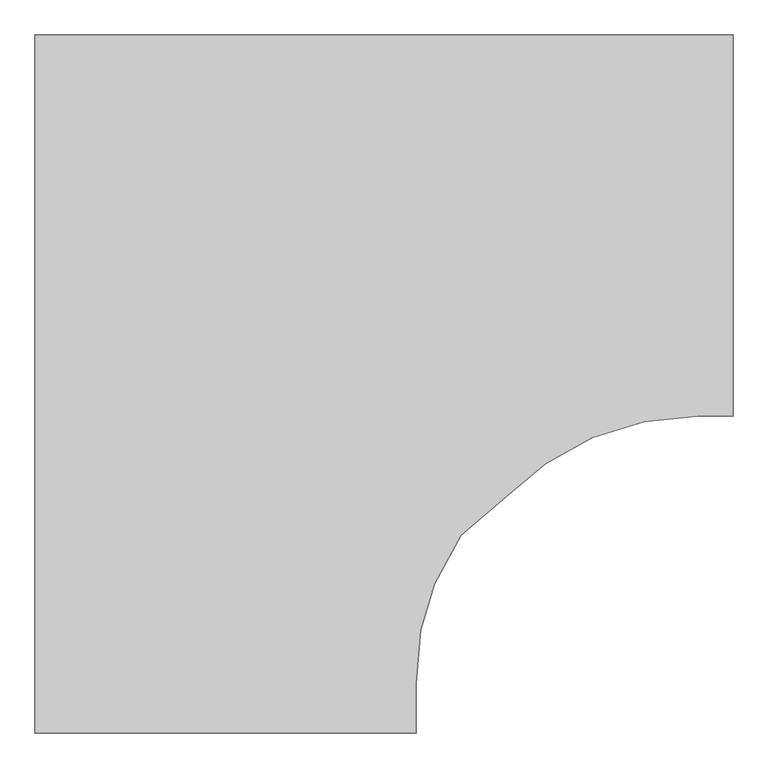
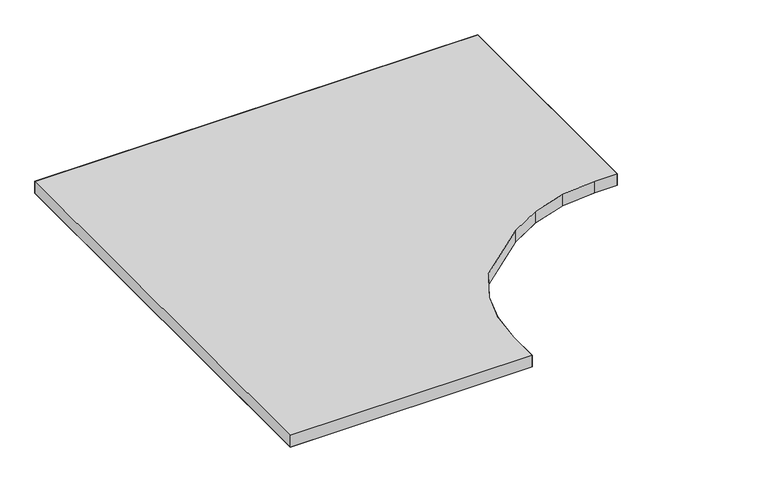
"""IFC4 building model written with IfcOpenShell, lengths in millimetres: furniture geometry."""

import ifcopenshell
import ifcopenshell.guid

model = None  # the IFC model being written
_history = None  # IfcOwnerHistory: only IFC2X3 demands one
_inside = {}  # id of a spatial element -> (the spatial element, [elements in it])
_under = {}  # id of a project, library or spatial element -> (it, [spatial elements below it])
_declared = {}  # id of a project -> (the project, [libraries it declares])
_typed = {}  # id of a type object -> (the type object, [elements of that type])
_made_of = {}  # id of a material, layer set ... -> (it, [elements and type objects made of it])


def new_model(schema):
    """Start an empty IFC model of exactly this schema.

    Asked for "IFC4X3", IfcOpenShell would pick the latest addendum, in which some entities
    have other attributes; the version numbers below select the first issue.
    IFC2X3 requires an IfcOwnerHistory on every rooted entity: one is made here for all.
    """
    global model, _history
    if schema == "IFC4X3":
        model = ifcopenshell.file(schema_version=(4, 3, 0, 0))
    else:
        model = ifcopenshell.file(schema=schema)
    _inside.clear()
    _under.clear()
    _declared.clear()
    _typed.clear()
    _made_of.clear()
    _history = None
    if model.schema == "IFC2X3":
        org = make("IfcOrganization", Name="unknown")
        user = make(
            "IfcPersonAndOrganization",
            ThePerson=make("IfcPerson", FamilyName="unknown"),
            TheOrganization=org,
        )
        app = make(
            "IfcApplication",
            ApplicationDeveloper=org,
            Version="unknown",
            ApplicationFullName="unknown",
            ApplicationIdentifier="unknown",
        )
        _history = make(
            "IfcOwnerHistory",
            OwningUser=user,
            OwningApplication=app,
            ChangeAction="ADDED",
            CreationDate=0,
        )
    return model


def make(cls, **values):
    """One entity of the class cls with the attributes given. An attribute that is None is left unset."""
    return model.create_entity(
        cls, **{name: value for name, value in values.items() if value is not None}
    )


def rooted(cls, **values):
    """An entity with a GlobalId (a new one), such as an element, a storey or a relation."""
    return make(cls, GlobalId=ifcopenshell.guid.new(), OwnerHistory=_history, **values)


def si_unit(unit_type, name, prefix=None):
    """IfcSIUnit, for example si_unit("LENGTHUNIT", "METRE", prefix="MILLI")."""
    return make("IfcSIUnit", UnitType=unit_type, Prefix=prefix, Name=name)


def assignment(units):
    """IfcUnitAssignment: the units of a project."""
    return None if units is None else make("IfcUnitAssignment", Units=units)


def point(xyz):
    """IfcCartesianPoint."""
    return None if xyz is None else make("IfcCartesianPoint", Coordinates=xyz)


def direction(xyz):
    """IfcDirection."""
    return None if xyz is None else make("IfcDirection", DirectionRatios=xyz)


def frame(location, z_axis=None, x_axis=None):
    """IfcAxis2Placement3D, a coordinate frame: its origin and axes. An axis left out is left unset."""
    return make(
        "IfcAxis2Placement3D",
        Location=point(location),
        Axis=direction(z_axis),
        RefDirection=direction(x_axis),
    )


def origin():
    """The frame at (0, 0, 0) with its axes left unset."""
    return frame((0.0, 0.0, 0.0))


def place(relative_to, where):
    """IfcLocalPlacement: puts the frame where relative to a parent placement (None: the world)."""
    return make(
        "IfcLocalPlacement", PlacementRelTo=relative_to, RelativePlacement=where
    )


def context(
    kind, dimensions, precision=None, world=None, true_north=None, identifier=None
):
    """IfcGeometricRepresentationContext, for example the 3D "Model" context."""
    return make(
        "IfcGeometricRepresentationContext",
        ContextIdentifier=identifier,
        ContextType=kind,
        CoordinateSpaceDimension=dimensions,
        Precision=precision,
        WorldCoordinateSystem=world,
        TrueNorth=true_north,
    )


def project(units=None, contexts=None):
    """IfcProject with its units and contexts."""
    return rooted(
        "IfcProject",
        Name="project",
        RepresentationContexts=contexts,
        UnitsInContext=assignment(units),
    )


def spatial(cls, under=None, at=None, **own):
    """A site, building, storey or space (cls), placed at a placement, below another one or the project."""
    s = rooted(cls, ObjectPlacement=at, **own)
    if under is not None:
        _under.setdefault(under.id(), (under, []))[1].append(s)
    return s


def point_list(points):
    """IfcCartesianPointList2D or 3D."""
    cls = (
        "IfcCartesianPointList2D" if len(points[0]) == 2 else "IfcCartesianPointList3D"
    )
    return make(cls, CoordList=points)


def triangles(points, corners, closed=None, point_numbers=None):
    """IfcTriangulatedFaceSet: each triangle names its three corners, points numbered from 1."""
    return make(
        "IfcTriangulatedFaceSet",
        Coordinates=point_list(points),
        Closed=closed,
        CoordIndex=corners,
        PnIndex=point_numbers,
    )


def shape(context_of_items, identifier, shape_type, items):
    """IfcShapeRepresentation: the items that make up one representation, for example the "Body"."""
    return make(
        "IfcShapeRepresentation",
        ContextOfItems=context_of_items,
        RepresentationIdentifier=identifier,
        RepresentationType=shape_type,
        Items=items,
    )


def source(mapping_origin, context_of_items, identifier, shape_type, items):
    """IfcRepresentationMap: a shape defined once, which mapped items show again and again."""
    return make(
        "IfcRepresentationMap",
        MappingOrigin=mapping_origin,
        MappedRepresentation=shape(context_of_items, identifier, shape_type, items),
    )


def transform(
    local_origin,
    x_axis=None,
    y_axis=None,
    z_axis=None,
    scale=None,
    scale2=None,
    scale3=None,
    uniform=True,
):
    """IfcCartesianTransformationOperator3D, or its non-uniform kind. x_axis, y_axis, z_axis: its Axis1, 2, 3."""
    if uniform:
        return make(
            "IfcCartesianTransformationOperator3D",
            Axis1=direction(x_axis),
            Axis2=direction(y_axis),
            LocalOrigin=point(local_origin),
            Scale=scale,
            Axis3=direction(z_axis),
        )
    return make(
        "IfcCartesianTransformationOperator3DnonUniform",
        Axis1=direction(x_axis),
        Axis2=direction(y_axis),
        LocalOrigin=point(local_origin),
        Scale=scale,
        Axis3=direction(z_axis),
        Scale2=scale2,
        Scale3=scale3,
    )


def mapped(mapping_source, mapping_target):
    """IfcMappedItem: shows the shape of a source again, moved by a transform."""
    return make(
        "IfcMappedItem", MappingSource=mapping_source, MappingTarget=mapping_target
    )


def made_of(thing, what):
    """Note that an element or type object is made of a material, layer set ...; save() writes the relation."""
    if what is not None:
        _made_of.setdefault(what.id(), (what, []))[1].append(thing)
    return thing


def element(
    cls,
    number,
    at=None,
    inside=None,
    cuts=None,
    type_object=None,
    material=None,
    context=None,
    identifier="Body",
    shape_type=None,
    held_by="IfcProductDefinitionShape",
    body=None,
    shapes=None,
    **own,
):
    """One element of the class cls, such as IfcWall. Its Tag is "e" and its number.

    at: its placement. inside: the storey or other place that contains it. cuts: it is an
    opening in that element (IfcRelVoidsElement). A single representation is given by context,
    identifier, shape_type and body (its items); several are given by shapes. held_by: the class
    of the entity that holds the representations. save() writes the other relations.
    """
    e = rooted(cls, Tag="e%d" % number, ObjectPlacement=at, **own)
    if body is not None:
        shapes = [shape(context, identifier, shape_type, body)]
    if shapes is not None:
        e.Representation = make(held_by, Representations=shapes)
    if inside is not None:
        _inside.setdefault(inside.id(), (inside, []))[1].append(e)
    if cuts is not None:
        rooted(
            "IfcRelVoidsElement", RelatingBuildingElement=cuts, RelatedOpeningElement=e
        )
    if type_object is not None:
        _typed.setdefault(type_object.id(), (type_object, []))[1].append(e)
    return made_of(e, material)


def aggregate(whole, parts):
    """IfcRelAggregates: a whole, such as a stair, and the parts it consists of."""
    return rooted("IfcRelAggregates", RelatingObject=whole, RelatedObjects=parts)


def save(model, path):
    """Write the relations noted so far, then the file.

    IfcRelAggregates (storeys below a building ...), IfcRelContainedInSpatialStructure (elements
    in a storey), IfcRelDefinesByType, IfcRelAssociatesMaterial and IfcRelDeclares: one each for
    every whole, place, type object, material and project.
    """
    for whole, parts in _under.values():
        aggregate(whole, parts)
    for where, things in _inside.values():
        rooted(
            "IfcRelContainedInSpatialStructure",
            RelatedElements=things,
            RelatingStructure=where,
        )
    for kind, things in _typed.values():
        rooted("IfcRelDefinesByType", RelatedObjects=things, RelatingType=kind)
    for what, things in _made_of.values():
        rooted("IfcRelAssociatesMaterial", RelatedObjects=things, RelatingMaterial=what)
    for by, libraries in _declared.values():
        rooted("IfcRelDeclares", RelatingContext=by, RelatedDefinitions=libraries)
    model.write(path)


def furniture_1a50c023(model_context):
    return source(origin(), model_context, "Body", "Tessellation", [
        triangles([(1.524, -1.524, 725.4243982), (1065.2759651, -1.524, 725.4243982), (1065.2759651, -1.524, 695.8333992), (1.524, -1.524, 695.8333992), (1065.2759651, -582.6759893, 695.8333992), (1065.2759651, -582.6759893, 725.4243982), (1011.4280165, -582.6759893, 725.4243982), (1011.4280165, -582.6759893, 695.8333992), (582.6759893, -989.0759651, 695.8333992), (582.6759893, -989.0759651, 725.4243982), (582.6759893, -1065.2759651, 725.4243982), (582.6759893, -1065.2759651, 695.8333992), (1.524, -1065.2759651, 725.4243982), (1.524, -1065.2759651, 695.8333992), (930.2977942, -590.6660903, 725.4243982), (930.2977942, -590.6660903, 695.8333992), (724.0598013, -701.7078226, 695.8333992), (724.0598013, -701.7078226, 725.4243982), (651.2670788, -763.5553556, 725.4243982), (651.2670788, -763.5553556, 695.8333992), (589.6980171, -908.4234753, 695.8333992), (589.6980171, -908.4234753, 725.4243982), (610.9478102, -837.9085207, 695.8333992), (610.9478102, -837.9085207, 725.4243982), (850.5415432, -615.4564013, 725.4243982), (850.5415432, -615.4564013, 695.8333992), (780.0087118, -654.7345997, 725.4243982), (780.0087118, -654.7345997, 695.8333992)], [[1, 2, 3], [1, 3, 4], [5, 6, 7], [5, 7, 8], [9, 10, 11], [9, 11, 12], [12, 11, 13], [12, 13, 14], [3, 2, 6], [3, 6, 5], [13, 1, 4], [13, 4, 14], [8, 7, 15], [8, 15, 16], [17, 18, 19], [17, 19, 20], [21, 22, 10], [21, 10, 9], [23, 24, 22], [23, 22, 21], [20, 19, 24], [20, 24, 23], [16, 15, 25], [16, 25, 26], [26, 25, 27], [26, 27, 28], [28, 27, 18], [28, 18, 17]], closed=False),
        triangles([(1.524, -1.524, 725.4243982), (1011.4280165, -582.6759893, 725.4243982), (1065.2759651, -582.6759893, 725.4243982), (1065.2759651, -1.524, 725.4243982), (1.524, -1065.2759651, 725.4243982), (582.6759893, -1065.2759651, 725.4243982), (582.6759893, -989.0759651, 725.4243982), (1065.2759651, -582.6759893, 695.8333992), (1011.4280165, -582.6759893, 695.8333992), (1.524, -1.524, 695.8333992), (1065.2759651, -1.524, 695.8333992), (582.6759893, -1065.2759651, 695.8333992), (1.524, -1065.2759651, 695.8333992), (582.6759893, -989.0759651, 695.8333992), (589.6980171, -908.4234753, 725.4243982), (651.2670788, -763.5553556, 725.4243982), (610.9478102, -837.9085207, 725.4243982), (589.6980171, -908.4234753, 695.8333992), (651.2670788, -763.5553556, 695.8333992), (610.9478102, -837.9085207, 695.8333992), (930.2977942, -590.6660903, 725.4243982), (930.2977942, -590.6660903, 695.8333992), (724.0598013, -701.7078226, 725.4243982), (724.0598013, -701.7078226, 695.8333992), (780.0087118, -654.7345997, 695.8333992), (850.5415432, -615.4564013, 695.8333992), (850.5415432, -615.4564013, 725.4243982), (780.0087118, -654.7345997, 725.4243982)], [[1, 2, 3], [1, 3, 4], [1, 5, 6], [1, 6, 7], [8, 9, 10], [8, 10, 11], [12, 13, 10], [12, 10, 14], [15, 1, 7], [16, 1, 17], [10, 18, 14], [10, 19, 20], [21, 2, 1], [10, 9, 22], [23, 1, 16], [10, 24, 19], [25, 26, 10], [26, 22, 10], [27, 21, 1], [28, 27, 1], [23, 28, 1], [15, 17, 1], [20, 18, 10], [25, 24, 10]], closed=False),
    ])


if __name__ == "__main__":
    model = new_model("IFC4")
    model_context = context("Model", 3, world=origin())
    ifc_project = project(units=[si_unit("LENGTHUNIT", "METRE", prefix="MILLI")], contexts=[model_context])
    site = spatial("IfcSite", under=ifc_project)
    building = spatial("IfcBuilding", under=site)
    placement = place(None, origin())
    furniture_shape = furniture_1a50c023(model_context)
    element("IfcFurniture", 1, at=placement, inside=building, context=model_context, shape_type="MappedRepresentation", body=[
        mapped(furniture_shape, transform((0.0, 0.0, 0.0), x_axis=(1.0, 0.0, 0.0), y_axis=(0.0, 1.0, 0.0), z_axis=(0.0, 0.0, 1.0))),
    ])
    save(model, "model.ifc")
